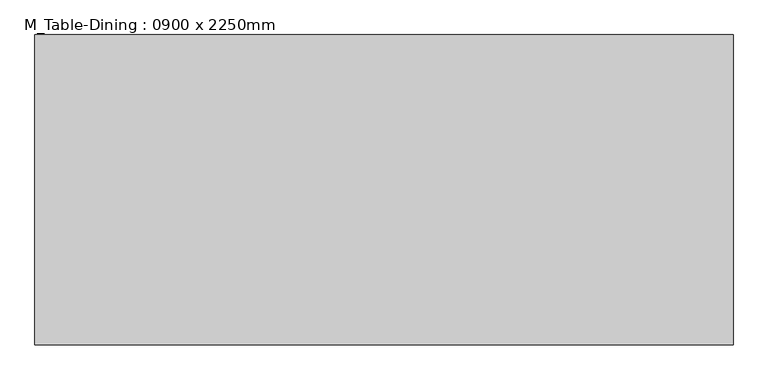
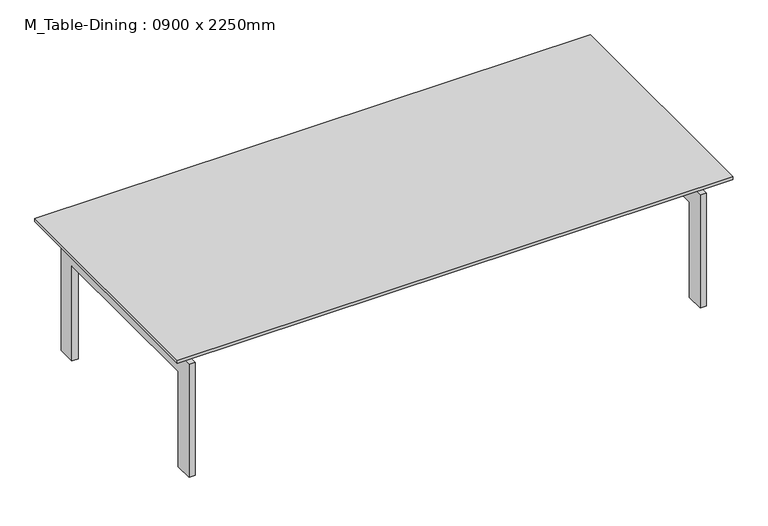
"""IFC4 building model written with IfcOpenShell, lengths in millimetres: furniture geometry, M_Table-Dining : 0900 x 2250mm."""

from ifc_helpers import new_model, si_unit, frame, origin, place, context, project, spatial, polyline, outline, extrude, source, transform, mapped, element, save


def m_table_dining_0900_x_2250mm_e8bdf7d9(model_context):
    return source(origin(), model_context, "Body", "SweptSolid", [
        extrude(outline(polyline([(544.4110778, 0.0), (468.2110778, 0.0), (468.2110778, 407.6), (-277.7889222, 407.6), (-277.7889222, 0.0), (-353.9889222, 0.0), (-353.9889222, 483.8), (544.4110778, 483.8), (544.4110778, 0.0)])), frame((1041.6657667, 0.0, 0.0), z_axis=(1.0, 0.0, 0.0), x_axis=(0.0, 1.0, 0.0)), (0.0, 0.0, 1.0), 25.0),
        extrude(outline(polyline([(544.4110778, 483.8), (544.4110778, 0.0), (468.2110778, 0.0), (468.2110778, 407.6), (-277.7889222, 407.6), (-277.7889222, 0.0), (-353.9889222, 0.0), (-353.9889222, 483.8), (544.4110778, 483.8)])), frame((-1030.1342333, 0.0, 0.0), z_axis=(1.0, 0.0, 0.0), x_axis=(0.0, 1.0, 0.0)), (0.0, 0.0, 1.0), 25.0),
        extrude(outline(polyline([(1041.6657667, 416.7823857), (1041.6657667, 391.3823857), (-1005.1342333, 391.3823857), (-1005.1342333, 416.7823857), (1041.6657667, 416.7823857)])), frame((0.0, 0.0, 483.8), z_axis=(0.0, 0.0, 1.0), x_axis=(1.0, 0.0, 0.0)), (0.0, 0.0, 1.0), 63.5),
        extrude(outline(polyline([(1041.6657667, -82.5889222), (1041.6657667, -107.9889222), (-1005.1342333, -107.9889222), (-1005.1342333, -82.5889222), (1041.6657667, -82.5889222)])), frame((0.0, 0.0, 483.8), z_axis=(0.0, 0.0, 1.0), x_axis=(1.0, 0.0, 0.0)), (0.0, 0.0, 1.0), 63.5),
        extrude(outline(polyline([(1143.2657667, 595.2110778), (1143.2657667, -404.7889222), (-1106.7342333, -404.7889222), (-1106.7342333, 595.2110778), (1143.2657667, 595.2110778)])), frame((0.0, 0.0, 547.3), z_axis=(0.0, 0.0, 1.0), x_axis=(1.0, 0.0, 0.0)), (0.0, 0.0, 1.0), 12.7),
    ])


if __name__ == "__main__":
    model = new_model("IFC4")
    model_context = context("Model", 3, world=origin())
    ifc_project = project(units=[si_unit("LENGTHUNIT", "METRE", prefix="MILLI")], contexts=[model_context])
    site = spatial("IfcSite", under=ifc_project)
    building = spatial("IfcBuilding", under=site)
    placement = place(None, origin())
    m_table_dining_0900_x_2250mm_shape = m_table_dining_0900_x_2250mm_e8bdf7d9(model_context)
    element("IfcFurniture", 1, ObjectType="M_Table-Dining : 0900 x 2250mm", at=placement, inside=building, context=model_context, shape_type="MappedRepresentation", body=[
        mapped(m_table_dining_0900_x_2250mm_shape, transform((0.0, 0.0, 0.0), x_axis=(1.0, 0.0, 0.0), y_axis=(0.0, 1.0, 0.0), z_axis=(0.0, 0.0, 1.0))),
    ])
    save(model, "model.ifc")
